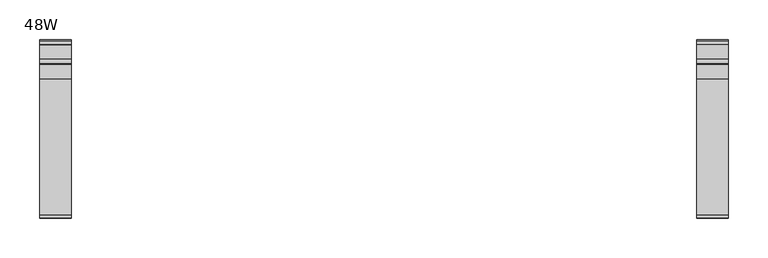
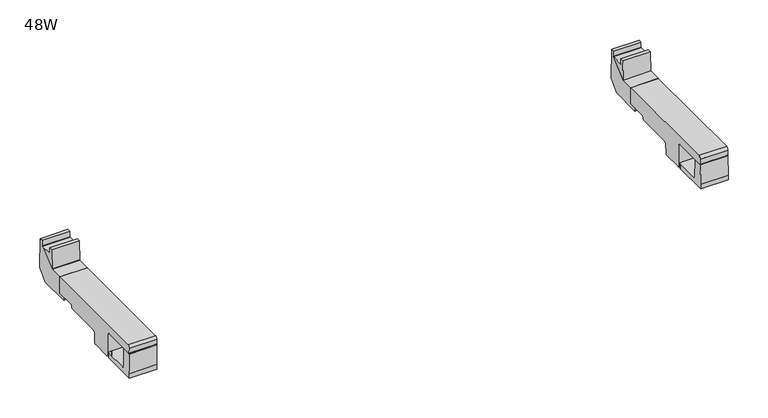
"""IFC4 building model written with IfcOpenShell, lengths in millimetres: furniture geometry, 48W."""

from ifc_helpers import new_model, si_unit, frame, origin, place, context, project, spatial, polyline, circle_curve, ellipse_curve, outline, extrude, faceted_brep, source, transform, mapped, element, save
from ifc_brep_helpers import plane_surface, cylinder_surface, revolved_surface, advanced_brep


def furniture_48w_d46f2840(model_context):
    return source(origin(), model_context, "Body", "SolidModel", [
        advanced_brep(
        [(1042.5843383, -34.3762385, 694.748492), (1042.5843383, -205.6270499, 694.748492), (1042.5843383, -209.1428417, 691.2327031), (1042.5843383, -208.8189173, 683.339309), (1042.5843383, -208.1362423, 682.8612948), (1042.5843383, -157.5847288, 682.8612948), (1042.5843383, -155.1147078, 680.3912738), (1042.5843383, -155.1147078, 648.1993661), (1042.5843383, -153.1244417, 646.2091), (1042.5843383, -124.7937764, 646.2091), (1042.5843383, -123.0534282, 647.9494482), (1042.5843383, -122.5427758, 662.5726192), (1042.5843383, -120.0715116, 665.0438834), (1042.5843383, -67.0503173, 665.0438834), (1042.5843383, -65.9566254, 665.4969107), (1042.5843383, -65.3708418, 666.9110686), (1042.5843383, -65.3708418, 667.9110802), (1042.5843383, -64.7850536, 669.3253107), (1042.5843383, -63.2994578, 669.9406718), (1042.5843383, -34.3762385, 669.9406718), (1002.5843271, -34.3762385, 694.748492), (1002.5843271, -34.3762385, 669.9406718), (1002.5843271, -63.2994578, 669.9406718), (1002.5843271, -64.7850536, 669.3253107), (1002.5843271, -65.3708418, 667.9110802), (1002.5843271, -65.3708418, 666.9110686), (1002.5843271, -65.9566254, 665.4969107), (1002.5843271, -67.0503173, 665.0438834), (1002.5843271, -120.0715116, 665.0438834), (1002.5843271, -122.5427758, 662.5726192), (1002.5843271, -123.0534282, 647.9494482), (1002.5843271, -124.7937764, 646.2091), (1002.5843271, -153.1244417, 646.2091), (1002.5843271, -155.1147078, 648.1993661), (1002.5843271, -155.1147078, 680.3912738), (1002.5843271, -157.5847288, 682.8612948), (1002.5843271, -208.1362423, 682.8612948), (1002.5843271, -208.8189173, 683.339309), (1002.5843271, -209.1428417, 691.2327031), (1002.5843271, -205.6270499, 694.748492), (1007.5797896, -124.7937764, 646.2091), (1007.5797896, -140.0738437, 646.2091), (1037.6515099, -140.0738437, 646.2091), (1037.6515099, -124.7937764, 646.2091), (1037.5752781, -123.0534282, 647.9494482), (1007.6560215, -123.0534282, 647.9494482), (1037.1094335, -122.682043, 658.5845286), (1026.2513665, -122.6654343, 659.0601406), (1018.9799316, -122.6654343, 659.0601406), (1008.121866, -122.682043, 658.5845286), (1036.6099401, -63.2994578, 669.9406718), (1036.6099401, -34.3762385, 669.9406718), (1008.5059231, -34.3762385, 669.9406718), (1008.5059231, -63.2994578, 669.9406718), (1008.4909291, -64.4119278, 669.4798663), (1036.6277347, -64.3762385, 669.4946495), (1036.3138826, -34.3762385, 679.0393242), (1033.8796033, -34.3762385, 681.4736035), (1011.2362611, -34.3762385, 681.4736035), (1008.8019819, -34.3762385, 679.0393242), (1033.8796033, -64.3762385, 681.4736035), (1036.3138826, -64.3762385, 679.0393242), (1008.8019819, -64.3762385, 679.0393242), (1011.2362611, -64.3762385, 681.4736035), (1018.9799316, -140.0738437, 659.0601406), (1026.2513665, -140.0738437, 659.0601406), (1037.1094335, -140.0738437, 658.5845286), (1008.121866, -140.0738437, 658.5845286)],
        [
            (0, 1),
            (1, 2, circle_curve(frame((1042.5843383, -205.6270499, 691.2327002), z_axis=(1.0, 0.0, 0.0), x_axis=(0.0, 1.0, 0.0)), 3.5157917)),
            (2, 3),
            (3, 4, circle_curve(frame((1042.5843383, -208.2951756, 683.360802), z_axis=(1.0, 0.0, 0.0), x_axis=(0.0, 1.0, 0.0)), 0.5241824)),
            (4, 5),
            (5, 6),
            (6, 7),
            (7, 8, circle_curve(frame((1042.5843383, -153.1244417, 648.1993661), z_axis=(1.0, 0.0, 0.0), x_axis=(0.0, 1.0, 0.0)), 1.9902661)),
            (8, 9),
            (9, 10, circle_curve(frame((1042.5843383, -124.7937764, 647.9494482), z_axis=(1.0, 0.0, 0.0), x_axis=(0.0, 1.0, 0.0)), 1.7403482)),
            (10, 11),
            (11, 12),
            (12, 13),
            (13, 14),
            (14, 15),
            (15, 16),
            (16, 17),
            (17, 18),
            (18, 19),
            (19, 0),
            (20, 21),
            (21, 22),
            (22, 23),
            (23, 24),
            (24, 25),
            (25, 26),
            (26, 27),
            (27, 28),
            (28, 29),
            (29, 30),
            (30, 31, circle_curve(frame((1002.5843271, -124.7937764, 647.9494482), z_axis=(-1.0, 0.0, 0.0), x_axis=(0.0, 1.0, 0.0)), 1.7403482)),
            (31, 32),
            (32, 33, circle_curve(frame((1002.5843271, -153.1244417, 648.1993661), z_axis=(-1.0, 0.0, 0.0), x_axis=(0.0, 1.0, 0.0)), 1.9902661)),
            (33, 34),
            (34, 35),
            (35, 36),
            (36, 37, circle_curve(frame((1002.5843271, -208.2951756, 683.360802), z_axis=(-1.0, 0.0, 0.0), x_axis=(0.0, 1.0, 0.0)), 0.5241824)),
            (37, 38),
            (38, 39, circle_curve(frame((1002.5843271, -205.6270499, 691.2327002), z_axis=(-1.0, 0.0, 0.0), x_axis=(0.0, 1.0, 0.0)), 3.5157917)),
            (39, 20),
            (0, 20),
            (39, 1),
            (38, 2),
            (37, 3),
            (4, 36),
            (35, 5),
            (34, 6),
            (33, 7),
            (32, 8),
            (31, 40),
            (40, 41),
            (41, 42),
            (42, 43),
            (43, 9),
            (43, 44, ellipse_curve(frame((1037.5752781, -124.7937764, 647.9494482), z_axis=(0.9990420426528556, 0.0, 0.0437606788339703), x_axis=(0.04376067883397078, 0.0, -0.9990420426528556)), 1.742017, 1.7403482)),
            (44, 10),
            (30, 45),
            (45, 40, ellipse_curve(frame((1007.6560215, -124.7937764, 647.9494482), z_axis=(-0.9990420429311404, 0.0, 0.04376067248081727), x_axis=(0.04376067248081772, 0.0, 0.9990420429311404)), 1.742017, 1.7403482)),
            (44, 46),
            (46, 47),
            (47, 48),
            (48, 49),
            (49, 45),
            (29, 11),
            (28, 12),
            (27, 13),
            (18, 50),
            (50, 51),
            (51, 19),
            (21, 52),
            (52, 53),
            (53, 22),
            (26, 14),
            (25, 15),
            (24, 16),
            (23, 17),
            (53, 54),
            (54, 55),
            (55, 50),
            (51, 56),
            (56, 57, circle_curve(frame((1033.8796033, -34.3762385, 679.0393242), z_axis=(0.0, -1.0, 0.0), x_axis=(1.0, 0.0, 0.0)), 2.4342793)),
            (57, 58),
            (58, 59, circle_curve(frame((1011.2362611, -34.3762385, 679.0393242), z_axis=(0.0, -1.0, 0.0), x_axis=(1.0, 0.0, 0.0)), 2.4342793)),
            (59, 52),
            (60, 61, circle_curve(frame((1033.8796033, -64.3762385, 679.0393242), z_axis=(0.0, 1.0, 0.0), x_axis=(1.0, 0.0, 0.0)), 2.4342793)),
            (61, 55),
            (54, 62),
            (62, 63, circle_curve(frame((1011.2362611, -64.3762385, 679.0393242), z_axis=(0.0, 1.0, 0.0), x_axis=(1.0, 0.0, 0.0)), 2.4342793)),
            (63, 60),
            (63, 58),
            (57, 60),
            (62, 59),
            (61, 56),
            (64, 65),
            (65, 66),
            (66, 42),
            (41, 67),
            (67, 64),
            (67, 49),
            (48, 64),
            (66, 46),
            (65, 47),
        ],
        [
            plane_surface(frame((1042.5843383, -205.6270499, 694.748492), z_axis=(1.0, 0.0, 0.0), x_axis=(0.0, -1.0, 0.0))),
            plane_surface(frame((1002.5843271, -205.6270499, 694.748492), z_axis=(-1.0, 0.0, 0.0), x_axis=(0.0, 1.0, 0.0))),
            plane_surface(frame((1042.5843383, -34.3762385, 694.748492), z_axis=(0.0, 0.0, 1.0), x_axis=(-1.0, 0.0, 0.0))),
            cylinder_surface(frame((1002.5843271, -205.6270499, 691.2327002), z_axis=(1.0, 0.0, 0.0), x_axis=(0.0, 1.0, 0.0)), 3.5157917),
            plane_surface(frame((1042.5843383, -209.1428417, 691.2327031), z_axis=(0.0, -0.9991590276048403, -0.04100289691899755), x_axis=(-1.0, 0.0, 0.0))),
            plane_surface(frame((1042.5843383, -208.1362423, 682.8612948), z_axis=(0.0, 0.0, -1.0), x_axis=(-1.0, 0.0, 0.0))),
            plane_surface(frame((1042.5843383, -157.5847288, 682.8612948), z_axis=(0.0, -0.7071067811865669, -0.7071067811865281), x_axis=(-1.0, 0.0, 0.0))),
            plane_surface(frame((1042.5843383, -155.1147078, 680.3912738), z_axis=(0.0, -1.0, 0.0), x_axis=(-1.0, 0.0, 0.0))),
            cylinder_surface(frame((1002.5843271, -153.1244417, 648.1993661), z_axis=(1.0, 0.0, 0.0), x_axis=(0.0, 1.0, 0.0)), 1.9902661),
            plane_surface(frame((1042.5843383, -153.1244417, 646.2091), z_axis=(0.0, 0.0, -1.0), x_axis=(-1.0, 0.0, 0.0))),
            cylinder_surface(frame((1002.5843271, -124.7937764, 647.9494482), z_axis=(1.0, 0.0, 0.0), x_axis=(0.0, 1.0, 0.0)), 1.7403482),
            plane_surface(frame((1042.5843383, -123.0534282, 647.9494482), z_axis=(0.0, 0.9993908270182066, -0.03489949672796346), x_axis=(-1.0, 0.0, 0.0))),
            plane_surface(frame((1042.5843383, -122.5427758, 662.5726192), z_axis=(0.0, 0.7071067811865888, -0.7071067811865064), x_axis=(-1.0, 0.0, 0.0))),
            plane_surface(frame((1042.5843383, -120.0715116, 665.0438834), z_axis=(0.0, 0.0, -1.0), x_axis=(-1.0, 0.0, 0.0))),
            plane_surface(frame((1042.5843383, -63.2994578, 669.9406718), z_axis=(0.0, 0.0, -1.0), x_axis=(-1.0, 0.0, 0.0))),
            cylinder_surface(frame((1002.5843271, -208.2951756, 683.360802), z_axis=(1.0, 0.0, 0.0), x_axis=(0.0, 1.0, 0.0)), 0.5241824),
            plane_surface(frame((1042.5843383, -67.0503173, 665.0438834), z_axis=(0.0, 0.3826872177215554, -0.9238779645562151), x_axis=(-1.0, 0.0, 0.0))),
            plane_surface(frame((1042.5843383, -65.9566254, 665.4969107), z_axis=(0.0, 0.9238748481049176, -0.3826947413267075), x_axis=(-1.0, 0.0, 0.0))),
            plane_surface(frame((1042.5843383, -65.3708418, 666.9110686), z_axis=(0.0, 1.0, 0.0), x_axis=(-1.0, 0.0, 0.0))),
            plane_surface(frame((1042.5843383, -65.3708418, 667.9110802), z_axis=(0.0, 0.9238807518005431, -0.38268048872716703), x_axis=(-1.0, 0.0, 0.0))),
            plane_surface(frame((1042.5843383, -64.7850536, 669.3253107), z_axis=(0.0, 0.382687217616281, -0.9238779645998216), x_axis=(-1.0, 0.0, 0.0))),
            plane_surface(frame((1042.5843383, -34.3762385, 669.9406718), z_axis=(0.0, 1.0, 0.0), x_axis=(-1.0, 0.0, 0.0))),
            plane_surface(frame((1011.2362611, -64.3762385, 681.4736035), z_axis=(0.0, 1.0, 0.0), x_axis=(-1.0, 0.0, 0.0))),
            plane_surface(frame((1033.8796033, -64.3762385, 681.4736035), z_axis=(0.0, 0.0, -1.0), x_axis=(0.0, 1.0, 0.0))),
            revolved_surface(polyline([(1013.6705403999999, -64.3762385, 679.0393242), (1013.6705403999999, -34.3762385, 679.0393242)]), (1011.2362611, -34.3762385, 679.0393242), (0.0, -1.0, 0.0)),
            plane_surface(frame((1008.8019819, -64.3762385, 679.0393242), z_axis=(0.9994710350913933, 0.0, -0.03252153153433829), x_axis=(0.0, 1.0, 0.0))),
            plane_surface(frame((1036.6277347, -64.3762385, 669.3937968), z_axis=(-0.9994710393903322, 0.0, -0.0325213994165262), x_axis=(0.0, 1.0, 0.0))),
            revolved_surface(polyline([(1036.3138826000002, -64.3762385, 679.0393242), (1036.3138826000002, -34.3762385, 679.0393242)]), (1033.8796033, -34.3762385, 679.0393242), (0.0, -1.0, 0.0)),
            plane_surface(frame((178.8821527, -140.0738437, 658.5845286), z_axis=(0.0, 1.0000000000000002, 0.0), x_axis=(-0.9990420426677844, 0.0, -0.04376067849315215))),
            plane_surface(frame((1018.9799316, -140.0738437, 659.0601406), z_axis=(0.04376067847361147, 0.0, -0.9990420426686404), x_axis=(0.0, 1.0, 0.0))),
            plane_surface(frame((1008.121866, -140.0738437, 658.5845286), z_axis=(0.9990420429311404, 0.0, -0.04376067248081727), x_axis=(0.0, 1.0, 0.0))),
            plane_surface(frame((1037.7317659, -140.0738437, 644.376883), z_axis=(-0.9990420426528556, 0.0, -0.0437606788339703), x_axis=(0.0, 1.0, 0.0))),
            plane_surface(frame((1037.1094335, -140.0738437, 658.5845286), z_axis=(-0.043760672840806536, 0.0, -0.999042042915372), x_axis=(0.0, 1.0, 0.0))),
            plane_surface(frame((1026.2513665, -140.0738437, 659.0601406), z_axis=(0.0, 0.0, -1.0), x_axis=(0.0, 1.0, 0.0))),
        ],
        [
            (0, [[1, 2, 3, 4, 5, 6, 7, 8, 9, 10, 11, 12, 13, 14, 15, 16, 17, 18, 19, 20]]),
            (1, [[21, 22, 23, 24, 25, 26, 27, 28, 29, 30, 31, 32, 33, 34, 35, 36, 37, 38, 39, 40]]),
            (2, [[-1, 41, -40, 42]]),
            (3, [[-2, -42, -39, 43]]),
            (4, [[-3, -43, -38, 44]]),
            (5, [[-5, 45, -36, 46]]),
            (6, [[-6, -46, -35, 47]]),
            (7, [[-7, -47, -34, 48]]),
            (8, [[-8, -48, -33, 49]]),
            (9, [[-9, -49, -32, 50, 51, 52, 53, 54]]),
            (10, [[-10, -54, 55, 56]]),
            (10, [[-31, 57, 58, -50]]),
            (11, [[-11, -56, 59, 60, 61, 62, 63, -57, -30, 64]]),
            (12, [[-12, -64, -29, 65]]),
            (13, [[-13, -65, -28, 66]]),
            (14, [[-19, 67, 68, 69]]),
            (14, [[-22, 70, 71, 72]]),
            (15, [[-4, -44, -37, -45]]),
            (16, [[-14, -66, -27, 73]]),
            (17, [[-15, -73, -26, 74]]),
            (18, [[-16, -74, -25, 75]]),
            (19, [[-17, -75, -24, 76]]),
            (20, [[-18, -76, -23, -72, 77, 78, 79, -67]]),
            (21, [[-20, -69, 80, 81, 82, 83, 84, -70, -21, -41]]),
            (22, [[85, 86, -78, 87, 88, 89]]),
            (23, [[-89, 90, -82, 91]]),
            (24, [[-88, 92, -83, -90]]),
            (25, [[-87, -77, -71, -84, -92]]),
            (26, [[-86, 93, -80, -68, -79]]),
            (27, [[-85, -91, -81, -93]]),
            (28, [[94, 95, 96, -52, 97, 98]]),
            (29, [[-98, 99, -62, 100]]),
            (30, [[-97, -51, -58, -63, -99]]),
            (31, [[-96, 101, -59, -55, -53]]),
            (32, [[-95, 102, -60, -101]]),
            (33, [[-94, -100, -61, -102]]),
        ],
    ),
        advanced_brep(
        [(204.718015, -64.3762385, 682.0986035), (207.1522943, -64.3762385, 679.6643242), (207.4661464, -64.3762385, 670.0187968), (179.3265402, -64.3762385, 670.0187968), (179.6403935, -64.3762385, 679.6643242), (182.0746728, -64.3762385, 682.0986035), (182.0746728, -34.3762385, 682.0986035), (204.718015, -34.3762385, 682.0986035), (179.6403935, -34.3762385, 679.6643242), (179.3265402, -63.1108495, 670.0187968), (179.3265402, -34.3762385, 670.0187968), (207.4661464, -63.1108495, 670.0187968), (207.1522943, -34.3762385, 679.6643242), (207.4661464, -34.3762385, 670.0187968), (213.3963495, -34.3762385, 694.748492), (213.3963495, -205.6270499, 694.748492), (213.3963495, -209.1428417, 691.2327031), (213.3963495, -208.8189173, 683.339309), (213.3963495, -208.1362423, 682.8612948), (213.3963495, -157.5847288, 682.8612948), (213.3963495, -155.1147078, 680.3912738), (213.3963495, -155.1147078, 648.1993661), (213.3963495, -153.1244417, 646.2091), (213.3963495, -124.7937764, 646.2091), (213.3963495, -123.0534282, 647.9494482), (213.3963495, -122.5427758, 662.5726192), (213.3963495, -120.0715116, 665.0438834), (213.3963495, -67.0503173, 665.0438834), (213.3963495, -65.9566254, 665.4969107), (213.3963495, -65.3708418, 666.9110686), (213.3963495, -65.3708418, 667.9110802), (213.3963495, -64.7850536, 669.3253107), (213.3963495, -63.1108495, 670.0187968), (213.3963495, -34.3762385, 670.0187968), (173.3963383, -34.3762385, 694.748492), (173.3963383, -34.3762385, 670.0187968), (173.3963383, -63.1108495, 670.0187968), (173.3963383, -64.7850536, 669.3253107), (173.3963383, -65.3708418, 667.9110802), (173.3963383, -65.3708418, 666.9110686), (173.3963383, -65.9566254, 665.4969107), (173.3963383, -67.0503173, 665.0438834), (173.3963383, -120.0715116, 665.0438834), (173.3963383, -122.5427758, 662.5726192), (173.3963383, -123.0534282, 647.9494482), (173.3963383, -124.7937764, 646.2091), (173.3963383, -153.1244417, 646.2091), (173.3963383, -155.1147078, 648.1993661), (173.3963383, -155.1147078, 680.3912738), (173.3963383, -157.5847288, 682.8612948), (173.3963383, -208.1362423, 682.8612948), (173.3963383, -208.8189173, 683.339309), (173.3963383, -209.1428417, 691.2327031), (173.3963383, -205.6270499, 694.748492), (178.3400763, -124.7937764, 646.2091), (178.3400763, -140.0738437, 646.2091), (208.4117966, -140.0738437, 646.2091), (208.4117966, -124.7937764, 646.2091), (208.3355648, -123.0534282, 647.9494482), (178.4163082, -123.0534282, 647.9494482), (207.8697202, -122.682043, 658.5845286), (197.0116532, -122.6654343, 659.0601406), (189.7402183, -122.6654343, 659.0601406), (178.8821527, -122.682043, 658.5845286), (189.7402183, -140.0738437, 659.0601406), (197.0116532, -140.0738437, 659.0601406), (207.8697202, -140.0738437, 658.5845286), (178.8821527, -140.0738437, 658.5845286)],
        [
            (0, 1, circle_curve(frame((204.718015, -64.3762385, 679.6643242), z_axis=(0.0, 1.0, 0.0), x_axis=(1.0, 0.0, 0.0)), 2.4342793)),
            (1, 2),
            (2, 3),
            (3, 4),
            (4, 5, circle_curve(frame((182.0746728, -64.3762385, 679.6643242), z_axis=(0.0, 1.0, 0.0), x_axis=(1.0, 0.0, 0.0)), 2.4342793)),
            (5, 0),
            (5, 6),
            (6, 7),
            (7, 0),
            (4, 8),
            (8, 6, circle_curve(frame((182.0746728, -34.3762385, 679.6643242), z_axis=(0.0, 1.0, 0.0), x_axis=(1.0, 0.0, 0.0)), 2.4342793)),
            (3, 9),
            (9, 10),
            (10, 8),
            (2, 11),
            (11, 9),
            (1, 12),
            (12, 13),
            (13, 11),
            (7, 12, circle_curve(frame((204.718015, -34.3762385, 679.6643242), z_axis=(0.0, 1.0, 0.0), x_axis=(1.0, 0.0, 0.0)), 2.4342793)),
            (14, 15),
            (15, 16, circle_curve(frame((213.3963495, -205.6270499, 691.2327002), z_axis=(1.0, 0.0, 0.0), x_axis=(0.0, 1.0, 0.0)), 3.5157917)),
            (16, 17),
            (17, 18, circle_curve(frame((213.3963495, -208.2951756, 683.360802), z_axis=(1.0, 0.0, 0.0), x_axis=(0.0, 1.0, 0.0)), 0.5241824)),
            (18, 19),
            (19, 20),
            (20, 21),
            (21, 22, circle_curve(frame((213.3963495, -153.1244417, 648.1993661), z_axis=(1.0, 0.0, 0.0), x_axis=(0.0, 1.0, 0.0)), 1.9902661)),
            (22, 23),
            (23, 24, circle_curve(frame((213.3963495, -124.7937764, 647.9494482), z_axis=(1.0, 0.0, 0.0), x_axis=(0.0, 1.0, 0.0)), 1.7403482)),
            (24, 25),
            (25, 26),
            (26, 27),
            (27, 28),
            (28, 29),
            (29, 30),
            (30, 31),
            (31, 32),
            (32, 33),
            (33, 14),
            (34, 35),
            (35, 36),
            (36, 37),
            (37, 38),
            (38, 39),
            (39, 40),
            (40, 41),
            (41, 42),
            (42, 43),
            (43, 44),
            (44, 45, circle_curve(frame((173.3963383, -124.7937764, 647.9494482), z_axis=(-1.0, 0.0, 0.0), x_axis=(0.0, 1.0, 0.0)), 1.7403482)),
            (45, 46),
            (46, 47, circle_curve(frame((173.3963383, -153.1244417, 648.1993661), z_axis=(-1.0, 0.0, 0.0), x_axis=(0.0, 1.0, 0.0)), 1.9902661)),
            (47, 48),
            (48, 49),
            (49, 50),
            (50, 51, circle_curve(frame((173.3963383, -208.2951756, 683.360802), z_axis=(-1.0, 0.0, 0.0), x_axis=(0.0, 1.0, 0.0)), 0.5241824)),
            (51, 52),
            (52, 53, circle_curve(frame((173.3963383, -205.6270499, 691.2327002), z_axis=(-1.0, 0.0, 0.0), x_axis=(0.0, 1.0, 0.0)), 3.5157917)),
            (53, 34),
            (14, 34),
            (53, 15),
            (52, 16),
            (51, 17),
            (18, 50),
            (49, 19),
            (48, 20),
            (47, 21),
            (46, 22),
            (45, 54),
            (54, 55),
            (55, 56),
            (56, 57),
            (57, 23),
            (57, 58, ellipse_curve(frame((208.3355648, -124.7937764, 647.9494482), z_axis=(0.9990420426677843, 0.0, 0.04376067849315382), x_axis=(0.04376067849315236, 0.0, -0.9990420426677845)), 1.742017, 1.7403482)),
            (58, 24),
            (44, 59),
            (59, 54, ellipse_curve(frame((178.4163082, -124.7937764, 647.9494482), z_axis=(-0.9990420429162121, 0.0, 0.043760672821627045), x_axis=(0.043760672821625185, 0.0, 0.999042042916212)), 1.742017, 1.7403482)),
            (58, 60),
            (60, 61),
            (61, 62),
            (62, 63),
            (63, 59),
            (43, 25),
            (42, 26),
            (41, 27),
            (32, 11),
            (13, 33),
            (35, 10),
            (9, 36),
            (40, 28),
            (39, 29),
            (38, 30),
            (37, 31),
            (64, 65),
            (65, 66),
            (66, 56),
            (55, 67),
            (67, 64),
            (67, 63),
            (62, 64),
            (66, 60),
            (65, 61),
        ],
        [
            plane_surface(frame((182.0746728, -64.3762385, 682.0986035), z_axis=(0.0, 1.0, 0.0), x_axis=(-1.0, 0.0, 0.0))),
            plane_surface(frame((204.718015, -64.3762385, 682.0986035), z_axis=(0.0, 0.0, -1.0), x_axis=(0.0, 1.0, 0.0))),
            revolved_surface(polyline([(184.5089521, -64.3762385, 679.6643242), (184.5089521, -34.3762385, 679.6643242)]), (182.0746728, -34.3762385, 679.6643242), (0.0, -1.0, 0.0)),
            plane_surface(frame((179.6403935, -64.3762385, 679.6643242), z_axis=(0.9994710350913933, 0.0, -0.03252153153433829), x_axis=(0.0, 1.0, 0.0))),
            plane_surface(frame((179.3265402, -64.3762385, 670.0187968), z_axis=(0.0, 0.0, 1.0), x_axis=(0.0, 1.0, 0.0))),
            plane_surface(frame((207.4661464, -64.3762385, 670.0187968), z_axis=(-0.999471039390332, 0.0, -0.03252139941653), x_axis=(0.0, 1.0, 0.0))),
            revolved_surface(polyline([(207.1522943, -64.3762385, 679.6643242), (207.1522943, -34.3762385, 679.6643242)]), (204.718015, -34.3762385, 679.6643242), (0.0, -1.0, 0.0)),
            plane_surface(frame((213.3963495, -205.6270499, 694.748492), z_axis=(1.0, 0.0, 0.0), x_axis=(0.0, -1.0, 0.0))),
            plane_surface(frame((173.3963383, -205.6270499, 694.748492), z_axis=(-1.0, 0.0, 0.0), x_axis=(0.0, 1.0, 0.0))),
            plane_surface(frame((213.3963495, -34.3762385, 694.748492), z_axis=(0.0, 0.0, 1.0), x_axis=(-1.0, 0.0, 0.0))),
            cylinder_surface(frame((173.3963383, -205.6270499, 691.2327002), z_axis=(1.0, 0.0, 0.0), x_axis=(0.0, 1.0, 0.0)), 3.5157917),
            plane_surface(frame((213.3963495, -209.1428417, 691.2327031), z_axis=(0.0, -0.9991590276048403, -0.041002896918997445), x_axis=(-1.0, 0.0, 0.0))),
            plane_surface(frame((213.3963495, -208.1362423, 682.8612948), z_axis=(0.0, 0.0, -1.0), x_axis=(-1.0, 0.0, 0.0))),
            plane_surface(frame((213.3963495, -157.5847288, 682.8612948), z_axis=(0.0, -0.7071067811865669, -0.7071067811865281), x_axis=(-1.0, 0.0, 0.0))),
            plane_surface(frame((213.3963495, -155.1147078, 680.3912738), z_axis=(0.0, -1.0, 0.0), x_axis=(-1.0, 0.0, 0.0))),
            cylinder_surface(frame((173.3963383, -153.1244417, 648.1993661), z_axis=(1.0, 0.0, 0.0), x_axis=(0.0, 1.0, 0.0)), 1.9902661),
            plane_surface(frame((213.3963495, -153.1244417, 646.2091), z_axis=(0.0, 0.0, -1.0), x_axis=(-1.0, 0.0, 0.0))),
            cylinder_surface(frame((173.3963383, -124.7937764, 647.9494482), z_axis=(1.0, 0.0, 0.0), x_axis=(0.0, 1.0, 0.0)), 1.7403482),
            plane_surface(frame((213.3963495, -123.0534282, 647.9494482), z_axis=(0.0, 0.9993908270182066, -0.03489949672796346), x_axis=(-1.0, 0.0, 0.0))),
            plane_surface(frame((213.3963495, -122.5427758, 662.5726192), z_axis=(0.0, 0.7071067811865888, -0.7071067811865064), x_axis=(-1.0, 0.0, 0.0))),
            plane_surface(frame((213.3963495, -120.0715116, 665.0438834), z_axis=(0.0, 0.0, -1.0), x_axis=(-1.0, 0.0, 0.0))),
            plane_surface(frame((213.3963495, -63.1108495, 670.0187968), z_axis=(0.0, 0.0, -1.0), x_axis=(-1.0, 0.0, 0.0))),
            cylinder_surface(frame((173.3963383, -208.2951756, 683.360802), z_axis=(1.0, 0.0, 0.0), x_axis=(0.0, 1.0, 0.0)), 0.5241824),
            plane_surface(frame((213.3963495, -67.0503173, 665.0438834), z_axis=(0.0, 0.3826872177215554, -0.9238779645562151), x_axis=(-1.0, 0.0, 0.0))),
            plane_surface(frame((213.3963495, -65.9566254, 665.4969107), z_axis=(0.0, 0.9238748481049176, -0.3826947413267075), x_axis=(-1.0, 0.0, 0.0))),
            plane_surface(frame((213.3963495, -65.3708418, 666.9110686), z_axis=(0.0, 1.0, 0.0), x_axis=(-1.0, 0.0, 0.0))),
            plane_surface(frame((213.3963495, -65.3708418, 667.9110802), z_axis=(0.0, 0.9238807518005431, -0.38268048872716703), x_axis=(-1.0, 0.0, 0.0))),
            plane_surface(frame((213.3963495, -64.7850536, 669.3253107), z_axis=(0.0, 0.38268721761631463, -0.9238779645998076), x_axis=(-1.0, 0.0, 0.0))),
            plane_surface(frame((213.3963495, -34.3762385, 670.0187968), z_axis=(0.0, 1.0, 0.0), x_axis=(-1.0, 0.0, 0.0))),
            plane_surface(frame((178.8821527, -140.0738437, 658.5845286), z_axis=(0.0, 1.0000000000000002, 0.0), x_axis=(-0.9990420426677844, 0.0, -0.04376067849315215))),
            plane_surface(frame((189.7402183, -140.0738437, 659.0601406), z_axis=(0.04376067849315215, 0.0, -0.9990420426677844), x_axis=(0.0, 1.0, 0.0))),
            plane_surface(frame((178.8821527, -140.0738437, 658.5845286), z_axis=(0.9990420429162121, 0.0, -0.043760672821627045), x_axis=(0.0, 1.0, 0.0))),
            plane_surface(frame((208.4920526, -140.0738437, 644.376883), z_axis=(-0.9990420426677843, 0.0, -0.04376067849315382), x_axis=(0.0, 1.0, 0.0))),
            plane_surface(frame((207.8697202, -140.0738437, 658.5845286), z_axis=(-0.043760672821278684, 0.0, -0.9990420429162273), x_axis=(0.0, 1.0, 0.0))),
            plane_surface(frame((197.0116532, -140.0738437, 659.0601406), z_axis=(0.0, 0.0, -1.0), x_axis=(0.0, 1.0, 0.0))),
        ],
        [
            (0, [[1, 2, 3, 4, 5, 6]]),
            (1, [[-6, 7, 8, 9]]),
            (2, [[-5, 10, 11, -7]]),
            (3, [[-4, 12, 13, 14, -10]]),
            (4, [[-3, 15, 16, -12]]),
            (5, [[-2, 17, 18, 19, -15]]),
            (6, [[-1, -9, 20, -17]]),
            (7, [[21, 22, 23, 24, 25, 26, 27, 28, 29, 30, 31, 32, 33, 34, 35, 36, 37, 38, 39, 40]]),
            (8, [[41, 42, 43, 44, 45, 46, 47, 48, 49, 50, 51, 52, 53, 54, 55, 56, 57, 58, 59, 60]]),
            (9, [[-21, 61, -60, 62]]),
            (10, [[-22, -62, -59, 63]]),
            (11, [[-23, -63, -58, 64]]),
            (12, [[-25, 65, -56, 66]]),
            (13, [[-26, -66, -55, 67]]),
            (14, [[-27, -67, -54, 68]]),
            (15, [[-28, -68, -53, 69]]),
            (16, [[-29, -69, -52, 70, 71, 72, 73, 74]]),
            (17, [[-30, -74, 75, 76]]),
            (17, [[-51, 77, 78, -70]]),
            (18, [[-31, -76, 79, 80, 81, 82, 83, -77, -50, 84]]),
            (19, [[-32, -84, -49, 85]]),
            (20, [[-33, -85, -48, 86]]),
            (21, [[-39, 87, -19, 88]]),
            (21, [[-42, 89, -13, 90]]),
            (22, [[-24, -64, -57, -65]]),
            (23, [[-34, -86, -47, 91]]),
            (24, [[-35, -91, -46, 92]]),
            (25, [[-36, -92, -45, 93]]),
            (26, [[-37, -93, -44, 94]]),
            (27, [[-38, -94, -43, -90, -16, -87]]),
            (28, [[-40, -88, -18, -20, -8, -11, -14, -89, -41, -61]]),
            (29, [[95, 96, 97, -72, 98, 99]]),
            (30, [[-99, 100, -82, 101]]),
            (31, [[-98, -71, -78, -83, -100]]),
            (32, [[-97, 102, -79, -75, -73]]),
            (33, [[-96, 103, -80, -102]]),
            (34, [[-95, -101, -81, -103]]),
        ],
    ),
        faceted_brep([(213.3963495, 1.4987638, 665.2243243), (213.3963495, 15.4987633, 679.2242692), (213.3963495, 14.2414636, 724.2242841), (213.3963495, 9.4996035, 724.2242841), (213.3963495, 9.4996035, 716.2017992), (213.3963495, -15.5003961, 695.2243087), (213.3963495, -34.3762385, 695.2243087), (213.3963495, -34.3762385, 670.2243098), (213.3963495, -44.3762385, 670.2243098), (213.3963495, -44.3762385, 665.2243243), (173.3963383, 1.4987638, 665.2243243), (173.3963383, -44.3762385, 665.2243243), (173.3963383, -44.3762385, 670.2243098), (173.3963383, -34.3762385, 670.2243098), (173.3963383, -34.3762385, 695.2243087), (173.3963383, -15.5003961, 695.2243087), (173.3963383, 9.4996035, 716.2017992), (173.3963383, 9.4996035, 724.2242841), (173.3963383, 14.2414636, 724.2242841), (173.3963383, 15.4987633, 679.2242692), (179.3332273, -34.3762385, 670.2243098), (179.3265402, -34.3762385, 670.0187968), (207.4661464, -34.3762385, 670.0187968), (207.4594593, -34.3762385, 670.2243098), (207.4594593, -44.3762385, 670.2243098), (179.3332273, -44.3762385, 670.2243098), (207.4661464, -44.3762385, 670.0187968), (179.3265402, -44.3762385, 670.0187968)], [[[0, 1, 2, 3, 4, 5, 6, 7, 8, 9]], [[10, 11, 12, 13, 14, 15, 16, 17, 18, 19]], [[1, 0, 10, 19]], [[2, 1, 19, 18]], [[3, 2, 18, 17]], [[7, 6, 14, 13, 20, 21, 22, 23]], [[8, 7, 23, 24]], [[13, 12, 25, 20]], [[9, 8, 24, 26, 27, 25, 12, 11]], [[0, 9, 11, 10]], [[4, 3, 17, 16]], [[5, 4, 16, 15]], [[6, 5, 15, 14]], [[21, 20, 25, 27]], [[22, 21, 27, 26]], [[23, 22, 26, 24]]]),
        advanced_brep(
        [(1008.7244831, -141.7010771, 652.8966), (1008.7244831, -141.7010771, 645.8966), (1008.255545, -143.4503243, 645.8966), (1008.255545, -143.4503243, 652.8966), (1010.0049653, -140.4205949, 652.8966), (1010.0049653, -140.4205949, 645.8966), (1011.7542125, -139.9516569, 652.8966), (1011.2984275, -140.0738437, 645.8966), (1003.0232514, -156.9508595, 652.8966), (1003.0232514, -156.9508595, 645.8966), (1002.5843271, -158.5897425, 645.8966), (1002.5843271, -158.5897425, 652.8966), (1003.7547476, -156.2193633, 652.8966), (1003.7547476, -156.2193633, 645.8966), (1004.7543266, -155.9516568, 652.8966), (1004.7543266, -155.9516568, 645.8966), (1007.7557734, -155.9516568, 652.8966), (1007.7557734, -155.9516568, 645.8966), (1008.255545, -155.0828126, 652.8966), (1008.255545, -155.0828126, 645.8966), (1037.0482352, -155.0828126, 652.8966), (1037.0482352, -155.0828126, 645.8966), (1037.0482352, -143.4503243, 645.8966), (1037.0482352, -143.4503243, 652.8966), (1037.5480068, -155.9516568, 652.8966), (1037.5480068, -155.9516568, 645.8966), (1040.5494536, -155.9516568, 652.8966), (1040.5494536, -155.9516568, 645.8966), (1041.5490326, -156.2193631, 652.8966), (1041.5490326, -156.2193631, 645.8966), (1042.2805286, -156.9508595, 652.8966), (1042.2805286, -156.9508595, 645.8966), (1042.5843383, -158.0852431, 652.8966), (1042.5843383, -158.0852431, 645.8966), (1035.298815, -140.4205949, 652.8966), (1035.298815, -140.4205949, 645.8966), (1034.0053528, -140.0738437, 645.8966), (1033.5495679, -139.9516569, 652.8966), (1036.5792972, -141.7010771, 652.8966), (1036.5792972, -141.7010771, 645.8966), (1042.5843383, -192.6231607, 652.8966), (1042.5843383, -195.035912, 655.3093513), (1042.5843383, -195.9812599, 682.3805731), (1042.5843383, -208.9220534, 682.3805731), (1042.5843383, -209.9516568, 652.8966), (1042.5843383, -209.8294706, 645.8966), (1002.5843271, -209.8294706, 645.8966), (1002.5843271, -209.9516568, 652.8966), (1002.5843271, -208.9220534, 682.3805731), (1002.5843271, -195.9812599, 682.3805731), (1002.5843271, -195.035912, 655.3093513), (1002.5843271, -192.6231607, 652.8966)],
        [
            (0, 1),
            (1, 2),
            (2, 3),
            (3, 0),
            (0, 4),
            (4, 5),
            (5, 1),
            (4, 6),
            (6, 7),
            (7, 5),
            (8, 9),
            (9, 10),
            (10, 11),
            (11, 8),
            (8, 12),
            (12, 13),
            (13, 9),
            (12, 14),
            (14, 15),
            (15, 13),
            (14, 16),
            (16, 17),
            (17, 15),
            (16, 18, circle_curve(frame((1007.250424, -155.0828126, 652.8966), z_axis=(0.0, 0.0, 1.0), x_axis=(1.0, 0.0, 0.0)), 1.005121)),
            (18, 19),
            (19, 17, circle_curve(frame((1007.250424, -155.0828126, 645.8966), z_axis=(0.0, 0.0, -1.0), x_axis=(1.0, 0.0, 0.0)), 1.005121)),
            (2, 19),
            (18, 3),
            (20, 21),
            (21, 22),
            (22, 23),
            (23, 20),
            (20, 24, circle_curve(frame((1038.0533564, -155.0828126, 652.8966), z_axis=(0.0, 0.0, 1.0), x_axis=(1.0, 0.0, 0.0)), 1.0051211)),
            (24, 25),
            (25, 21, circle_curve(frame((1038.0533564, -155.0828126, 645.8966), z_axis=(0.0, 0.0, -1.0), x_axis=(1.0, 0.0, 0.0)), 1.0051211)),
            (24, 26),
            (26, 27),
            (27, 25),
            (26, 28),
            (28, 29),
            (29, 27),
            (28, 30),
            (30, 31),
            (31, 29),
            (30, 32),
            (32, 33),
            (33, 31),
            (34, 35),
            (35, 36),
            (36, 37),
            (37, 34),
            (34, 38),
            (38, 39),
            (39, 35),
            (22, 39),
            (38, 23),
            (40, 41, circle_curve(frame((1042.5843383, -192.6231607, 655.3093513), z_axis=(-1.0, 0.0, 0.0), x_axis=(0.0, 1.0, 0.0)), 2.4127513)),
            (41, 42),
            (42, 43),
            (43, 44),
            (44, 45),
            (45, 33),
            (32, 40),
            (46, 47),
            (47, 48),
            (48, 49),
            (49, 50),
            (50, 51, circle_curve(frame((1002.5843271, -192.6231607, 655.3093513), z_axis=(1.0, 0.0, 0.0), x_axis=(0.0, 1.0, 0.0)), 2.4127513)),
            (51, 11),
            (10, 46),
            (36, 7),
            (6, 37),
            (51, 40),
            (50, 41),
            (49, 42),
            (48, 43),
            (47, 44),
            (46, 45),
        ],
        [
            plane_surface(frame((1008.255545, -143.4503243, 652.8966), z_axis=(-0.9658942540049986, 0.25893684573680786, 0.0), x_axis=(0.0, 0.0, -1.0))),
            plane_surface(frame((1008.7244831, -141.7010771, 652.8966), z_axis=(-0.7071067760398695, 0.7071067863332255, 0.0), x_axis=(0.0, 0.0, -1.0))),
            plane_surface(frame((1010.0049653, -140.4205949, 652.8966), z_axis=(-0.2589368493370097, 0.9658942530398568, 0.0), x_axis=(0.0, 0.0, -1.0))),
            plane_surface(frame((1001.036795, -164.3680151, 652.8966), z_axis=(-0.9659572192072966, 0.2587018567024729, 0.0), x_axis=(0.0, 0.0, -1.0))),
            plane_surface(frame((1003.0232514, -156.9508595, 652.8966), z_axis=(-0.7071067811866456, 0.7071067811864494, 0.0), x_axis=(0.0, 0.0, -1.0))),
            plane_surface(frame((1003.7547476, -156.2193633, 652.8966), z_axis=(-0.2587018567027409, 0.9659572192072249, 0.0), x_axis=(0.0, 0.0, -1.0))),
            plane_surface(frame((1004.7543266, -155.9516568, 652.8966), z_axis=(0.0, 1.0, 0.0), x_axis=(0.0, 0.0, -1.0))),
            revolved_surface(polyline([(1008.255545, -155.0828126, 652.8966), (1008.255545, -155.0828126, 645.8966)]), (1007.250424, -155.0828126, 667.9051241), (0.0, 0.0, 1.0)),
            plane_surface(frame((1008.255545, -155.0828126, 652.8966), z_axis=(-1.0, 0.0, 0.0), x_axis=(0.0, 0.0, -1.0))),
            plane_surface(frame((1037.0482352, -143.4503243, 652.8966), z_axis=(1.0, 0.0, 0.0), x_axis=(0.0, 0.0, -1.0))),
            revolved_surface(polyline([(1039.0584775, -155.0828126, 652.8966), (1039.0584775, -155.0828126, 645.8966)]), (1038.0533564, -155.0828126, 667.9051241), (0.0, 0.0, 1.0)),
            plane_surface(frame((1037.5480068, -155.9516568, 652.8966), z_axis=(0.0, 1.0, 0.0), x_axis=(0.0, 0.0, -1.0))),
            plane_surface(frame((1040.5494536, -155.9516568, 652.8966), z_axis=(0.2587016970820589, 0.9659572619566886, 0.0), x_axis=(0.0, 0.0, -1.0))),
            plane_surface(frame((1041.5490326, -156.2193631, 652.8966), z_axis=(0.7071069992546413, 0.7071065631183865, 0.0), x_axis=(0.0, 0.0, -1.0))),
            plane_surface(frame((1042.2805286, -156.9508595, 652.8966), z_axis=(0.9659572113389603, 0.2587018860817588, 0.0), x_axis=(0.0, 0.0, -1.0))),
            plane_surface(frame((1025.9725361, -137.9204069, 652.8966), z_axis=(0.25893684573687087, 0.9658942540049817, 0.0), x_axis=(0.0, 0.0, -1.0))),
            plane_surface(frame((1035.298815, -140.4205949, 652.8966), z_axis=(0.7071067811865429, 0.7071067811865522, 0.0), x_axis=(0.0, 0.0, -1.0))),
            plane_surface(frame((1036.5792972, -141.7010771, 652.8966), z_axis=(0.9658942540049986, 0.25893684573680786, 0.0), x_axis=(0.0, 0.0, -1.0))),
            plane_surface(frame((1042.5843383, -140.0738437, 645.8966), z_axis=(1.0, 0.0, 0.0), x_axis=(0.0, 0.017452598318764508, 0.9998476918070691))),
            plane_surface(frame((1002.5843271, -140.0738437, 645.8966), z_axis=(-1.0, 0.0, 0.0), x_axis=(0.0, -0.017452598318764508, -0.9998476918070691))),
            plane_surface(frame((1042.5843383, -140.0738437, 645.8966), z_axis=(0.0, 0.9998476918070691, -0.017452598318764508), x_axis=(-1.0, 0.0, 0.0))),
            plane_surface(frame((1042.5843383, -139.9516569, 652.8966), z_axis=(0.0, 0.0, 1.0), x_axis=(-1.0, 0.0, 0.0))),
            revolved_surface(polyline([(1002.5843271, -190.2104094, 655.3093513), (1042.5843383, -190.2104094, 655.3093513)]), (1002.5843271, -192.6231607, 655.3093513), (-1.0, 0.0, 0.0)),
            plane_surface(frame((1042.5843383, -195.035912, 655.3093513), z_axis=(0.0, 0.9993908270202339, 0.03489949666991039), x_axis=(-1.0, 0.0, 0.0))),
            plane_surface(frame((1042.5843383, -195.9812599, 682.3805731), z_axis=(0.0, 0.0, 1.0), x_axis=(-1.0, 0.0, 0.0))),
            plane_surface(frame((1042.5843383, -208.9220534, 682.3805731), z_axis=(0.0, -0.9993908266368363, 0.0348995076489783), x_axis=(-1.0, 0.0, 0.0))),
            plane_surface(frame((1042.5843383, -209.9516568, 652.8966), z_axis=(0.0, -0.9998476933637703, -0.01745250913616792), x_axis=(-1.0, 0.0, 0.0))),
            plane_surface(frame((1042.5843383, -209.8294706, 645.8966), z_axis=(0.0, 0.0, -1.0), x_axis=(-1.0, 0.0, 0.0))),
        ],
        [
            (0, [[1, 2, 3, 4]]),
            (1, [[-1, 5, 6, 7]]),
            (2, [[-6, 8, 9, 10]]),
            (3, [[11, 12, 13, 14]]),
            (4, [[-11, 15, 16, 17]]),
            (5, [[-16, 18, 19, 20]]),
            (6, [[-19, 21, 22, 23]]),
            (7, [[-22, 24, 25, 26]]),
            (8, [[-3, 27, -25, 28]]),
            (9, [[29, 30, 31, 32]]),
            (10, [[-29, 33, 34, 35]]),
            (11, [[-34, 36, 37, 38]]),
            (12, [[-37, 39, 40, 41]]),
            (13, [[-40, 42, 43, 44]]),
            (14, [[-43, 45, 46, 47]]),
            (15, [[48, 49, 50, 51]]),
            (16, [[-48, 52, 53, 54]]),
            (17, [[-31, 55, -53, 56]]),
            (18, [[57, 58, 59, 60, 61, 62, -46, 63]]),
            (19, [[64, 65, 66, 67, 68, 69, -13, 70]]),
            (20, [[71, -9, 72, -50]]),
            (21, [[73, -63, -45, -42, -39, -36, -33, -32, -56, -52, -51, -72, -8, -5, -4, -28, -24, -21, -18, -15, -14, -69]]),
            (22, [[-57, -73, -68, 74]]),
            (23, [[-58, -74, -67, 75]]),
            (24, [[-59, -75, -66, 76]]),
            (25, [[-60, -76, -65, 77]]),
            (26, [[-61, -77, -64, 78]]),
            (27, [[-78, -70, -12, -17, -20, -23, -26, -27, -2, -7, -10, -71, -49, -54, -55, -30, -35, -38, -41, -44, -47, -62]]),
        ],
    ),
        advanced_brep(
        [(213.3963495, -192.6231607, 652.8966), (213.3963495, -195.035912, 655.3093513), (213.3963495, -195.9812599, 682.3805731), (213.3963495, -208.9220534, 682.3805731), (213.3963495, -209.9516568, 652.8966), (213.3963495, -209.8294706, 645.8966), (213.3963495, -158.5708545, 645.8966), (213.3963495, -158.5708545, 652.8966), (173.3963383, -209.8294706, 645.8966), (173.3963383, -209.9516568, 652.8966), (173.3963383, -208.9220534, 682.3805731), (173.3963383, -195.9812599, 682.3805731), (173.3963383, -195.035912, 655.3093513), (173.3963383, -192.6231607, 652.8966), (173.3963383, -158.1041306, 652.8966), (173.3963383, -158.1041306, 645.8966), (204.6873079, -140.0738437, 645.8966), (181.9803825, -140.0738437, 645.8966), (182.4361675, -139.9516569, 652.8966), (204.2315229, -139.9516569, 652.8966), (212.9624838, -156.9508595, 652.8966), (212.2309876, -156.2193633, 652.8966), (211.2314086, -155.9516568, 652.8966), (208.2299618, -155.9516568, 652.8966), (207.7301902, -155.0828126, 652.8966), (207.7301902, -143.4503243, 652.8966), (207.2612522, -141.7010771, 652.8966), (205.98077, -140.4205949, 652.8966), (180.6869203, -140.4205949, 652.8966), (179.4064381, -141.7010771, 652.8966), (178.9375, -143.4503243, 652.8966), (178.9375, -155.0828126, 652.8966), (178.4377284, -155.9516568, 652.8966), (175.4362817, -155.9516568, 652.8966), (174.4367026, -156.2193633, 652.8966), (173.7052064, -156.9508595, 652.8966), (173.7052064, -156.9508595, 645.8966), (174.4367026, -156.2193633, 645.8966), (175.4362817, -155.9516568, 645.8966), (178.4377284, -155.9516568, 645.8966), (178.9375, -155.0828126, 645.8966), (178.9375, -143.4503243, 645.8966), (179.4064381, -141.7010771, 645.8966), (180.6869203, -140.4205949, 645.8966), (205.98077, -140.4205949, 645.8966), (207.2612522, -141.7010771, 645.8966), (207.7301902, -143.4503243, 645.8966), (207.7301902, -155.0828126, 645.8966), (208.2299618, -155.9516568, 645.8966), (211.2314086, -155.9516568, 645.8966), (212.2309876, -156.2193633, 645.8966), (212.9624838, -156.9508595, 645.8966)],
        [
            (0, 1, circle_curve(frame((213.3963495, -192.6231607, 655.3093513), z_axis=(-1.0, 0.0, 0.0), x_axis=(0.0, 1.0, 0.0)), 2.4127513)),
            (1, 2),
            (2, 3),
            (3, 4),
            (4, 5),
            (5, 6),
            (6, 7),
            (7, 0),
            (8, 9),
            (9, 10),
            (10, 11),
            (11, 12),
            (12, 13, circle_curve(frame((173.3963383, -192.6231607, 655.3093513), z_axis=(1.0, 0.0, 0.0), x_axis=(0.0, 1.0, 0.0)), 2.4127513)),
            (13, 14),
            (14, 15),
            (15, 8),
            (16, 17),
            (17, 18),
            (18, 19),
            (19, 16),
            (13, 0),
            (7, 20),
            (20, 21),
            (21, 22),
            (22, 23),
            (23, 24, circle_curve(frame((208.7353114, -155.0828126, 652.8966), z_axis=(0.0, 0.0, -1.0), x_axis=(1.0, 0.0, 0.0)), 1.0051211)),
            (24, 25),
            (25, 26),
            (26, 27),
            (27, 19),
            (18, 28),
            (28, 29),
            (29, 30),
            (30, 31),
            (31, 32, circle_curve(frame((177.932379, -155.0828126, 652.8966), z_axis=(0.0, 0.0, -1.0), x_axis=(1.0, 0.0, 0.0)), 1.005121)),
            (32, 33),
            (33, 34),
            (34, 35),
            (35, 14),
            (12, 1),
            (11, 2),
            (10, 3),
            (9, 4),
            (8, 5),
            (15, 36),
            (36, 37),
            (37, 38),
            (38, 39),
            (39, 40, circle_curve(frame((177.932379, -155.0828126, 645.8966), z_axis=(0.0, 0.0, 1.0), x_axis=(1.0, 0.0, 0.0)), 1.005121)),
            (40, 41),
            (41, 42),
            (42, 43),
            (43, 17),
            (16, 44),
            (44, 45),
            (45, 46),
            (46, 47),
            (47, 48, circle_curve(frame((208.7353114, -155.0828126, 645.8966), z_axis=(0.0, 0.0, 1.0), x_axis=(1.0, 0.0, 0.0)), 1.0051211)),
            (48, 49),
            (49, 50),
            (50, 51),
            (51, 6),
            (29, 42),
            (41, 30),
            (28, 43),
            (35, 36),
            (34, 37),
            (33, 38),
            (32, 39),
            (31, 40),
            (24, 47),
            (46, 25),
            (23, 48),
            (22, 49),
            (21, 50),
            (20, 51),
            (27, 44),
            (26, 45),
        ],
        [
            plane_surface(frame((213.3963495, -140.0738437, 645.8966), z_axis=(1.0, 0.0, 0.0), x_axis=(0.0, 0.01745259834091157, 0.9998476918066825))),
            plane_surface(frame((173.3963383, -140.0738437, 645.8966), z_axis=(-1.0, 0.0, 0.0), x_axis=(0.0, -0.01745259834091157, -0.9998476918066825))),
            plane_surface(frame((213.3963495, -140.0738437, 645.8966), z_axis=(0.0, 0.9998476918066825, -0.01745259834091157), x_axis=(-1.0, 0.0, 0.0))),
            plane_surface(frame((213.3963495, -139.9516569, 652.8966), z_axis=(0.0, 0.0, 1.0), x_axis=(-1.0, 0.0, 0.0))),
            revolved_surface(polyline([(173.3963383, -190.2104094, 655.3093513), (213.3963495, -190.2104094, 655.3093513)]), (173.3963383, -192.6231607, 655.3093513), (-1.0, 0.0, 0.0)),
            plane_surface(frame((213.3963495, -195.035912, 655.3093513), z_axis=(0.0, 0.9993908270203338, 0.03489949666705066), x_axis=(-1.0, 0.0, 0.0))),
            plane_surface(frame((213.3963495, -195.9812599, 682.3805731), z_axis=(0.0, 0.0, 1.0), x_axis=(-1.0, 0.0, 0.0))),
            plane_surface(frame((213.3963495, -208.9220534, 682.3805731), z_axis=(0.0, -0.999390826636529, 0.03489950765777716), x_axis=(-1.0, 0.0, 0.0))),
            plane_surface(frame((213.3963495, -209.9516568, 652.8966), z_axis=(0.0, -0.9998476933650656, -0.017452509061959314), x_axis=(-1.0, 0.0, 0.0))),
            plane_surface(frame((213.3963495, -209.8294706, 645.8966), z_axis=(0.0, 0.0, -1.0), x_axis=(-1.0, 0.0, 0.0))),
            plane_surface(frame((178.9375, -143.4503243, 652.8966), z_axis=(-0.9658942540049885, 0.258936845736845, 0.0), x_axis=(0.0, 0.0, -1.0))),
            plane_surface(frame((179.4064381, -141.7010771, 652.8966), z_axis=(-0.7071067760391501, 0.707106786333945, 0.0), x_axis=(0.0, 0.0, -1.0))),
            plane_surface(frame((180.6869203, -140.4205949, 652.8966), z_axis=(-0.2589368493371297, 0.9658942530398246, 0.0), x_axis=(0.0, 0.0, -1.0))),
            plane_surface(frame((171.71875, -164.3680151, 652.8966), z_axis=(-0.965957219207298, 0.25870185670246776, 0.0), x_axis=(0.0, 0.0, -1.0))),
            plane_surface(frame((173.7052064, -156.9508595, 652.8966), z_axis=(-0.7071067811865476, 0.7071067811865476, 0.0), x_axis=(0.0, 0.0, -1.0))),
            plane_surface(frame((174.4367026, -156.2193633, 652.8966), z_axis=(-0.2587018567024804, 0.9659572192072946, 0.0), x_axis=(0.0, 0.0, -1.0))),
            plane_surface(frame((175.4362817, -155.9516568, 652.8966), z_axis=(0.0, 1.0, 0.0), x_axis=(0.0, 0.0, -1.0))),
            revolved_surface(polyline([(178.9375, -155.0828126, 652.8966), (178.9375, -155.0828126, 645.8966)]), (177.932379, -155.0828126, 645.8966), (0.0, 0.0, 1.0)),
            plane_surface(frame((178.9375, -155.0828126, 652.8966), z_axis=(-1.0, 0.0, 0.0), x_axis=(0.0, 0.0, -1.0))),
            plane_surface(frame((207.7301902, -143.4503243, 652.8966), z_axis=(1.0, 0.0, 0.0), x_axis=(0.0, 0.0, -1.0))),
            revolved_surface(polyline([(209.7404325, -155.0828126, 652.8966), (209.7404325, -155.0828126, 645.8966)]), (208.7353114, -155.0828126, 667.9051241), (0.0, 0.0, 1.0)),
            plane_surface(frame((208.2299618, -155.9516568, 652.8966), z_axis=(0.0, 1.0, 0.0), x_axis=(0.0, 0.0, -1.0))),
            plane_surface(frame((211.2314086, -155.9516568, 652.8966), z_axis=(0.2587018567024804, 0.9659572192072946, 0.0), x_axis=(0.0, 0.0, -1.0))),
            plane_surface(frame((212.2309876, -156.2193633, 652.8966), z_axis=(0.7071067968281866, 0.7071067655449081, 0.0), x_axis=(0.0, 0.0, -1.0))),
            plane_surface(frame((212.9624838, -156.9508595, 652.8966), z_axis=(0.9659572171002593, 0.2587018645698611, 0.0), x_axis=(0.0, 0.0, -1.0))),
            plane_surface(frame((196.6544911, -137.9204069, 652.8966), z_axis=(0.258936845736453, 0.9658942540050938, 0.0), x_axis=(0.0, 0.0, -1.0))),
            plane_surface(frame((205.98077, -140.4205949, 652.8966), z_axis=(0.7071067811865429, 0.7071067811865522, 0.0), x_axis=(0.0, 0.0, -1.0))),
            plane_surface(frame((207.2612522, -141.7010771, 652.8966), z_axis=(0.9658942540049885, 0.258936845736845, 0.0), x_axis=(0.0, 0.0, -1.0))),
        ],
        [
            (0, [[1, 2, 3, 4, 5, 6, 7, 8]]),
            (1, [[9, 10, 11, 12, 13, 14, 15, 16]]),
            (2, [[17, 18, 19, 20]]),
            (3, [[21, -8, 22, 23, 24, 25, 26, 27, 28, 29, 30, -19, 31, 32, 33, 34, 35, 36, 37, 38, 39, -14]]),
            (4, [[-1, -21, -13, 40]]),
            (5, [[-2, -40, -12, 41]]),
            (6, [[-3, -41, -11, 42]]),
            (7, [[-4, -42, -10, 43]]),
            (8, [[-5, -43, -9, 44]]),
            (9, [[-44, -16, 45, 46, 47, 48, 49, 50, 51, 52, 53, -17, 54, 55, 56, 57, 58, 59, 60, 61, 62, -6]]),
            (10, [[63, -51, 64, -33]]),
            (11, [[-63, -32, 65, -52]]),
            (12, [[-65, -31, -18, -53]]),
            (13, [[66, -45, -15, -39]]),
            (14, [[-66, -38, 67, -46]]),
            (15, [[-67, -37, 68, -47]]),
            (16, [[-68, -36, 69, -48]]),
            (17, [[-69, -35, 70, -49]]),
            (18, [[-64, -50, -70, -34]]),
            (19, [[71, -57, 72, -27]]),
            (20, [[-71, -26, 73, -58]]),
            (21, [[-73, -25, 74, -59]]),
            (22, [[-74, -24, 75, -60]]),
            (23, [[-75, -23, 76, -61]]),
            (24, [[-76, -22, -7, -62]]),
            (25, [[77, -54, -20, -30]]),
            (26, [[-77, -29, 78, -55]]),
            (27, [[-72, -56, -78, -28]]),
        ],
    ),
        extrude(outline(polyline([(-9.5012363, 715.8735787), (9.1084456, 715.8735787), (-15.5012363, 695.2236037), (-14.2439366, 724.2235777), (-9.5012363, 724.2235777), (-9.5012363, 715.8735787)])), frame((1002.5843271, 0.0, 0.0), z_axis=(1.0, 0.0, 0.0), x_axis=(0.0, 1.0, 0.0)), (0.0, 0.0, 1.0), 40.0000112),
        extrude(outline(polyline([(1.4987638, 665.2243243), (-44.3762385, 665.2243243), (-44.3762385, 670.2243098), (-34.3762385, 670.2243098), (-34.3762385, 695.2243087), (-15.5003961, 695.2243087), (9.4996035, 716.2017992), (9.4996035, 724.2242841), (14.2414636, 724.2242841), (15.4987633, 679.2242692), (1.4987638, 665.2243243)])), frame((1002.5843271, 0.0, 0.0), z_axis=(1.0, 0.0, 0.0), x_axis=(0.0, 1.0, 0.0)), (0.0, 0.0, 1.0), 40.0000112),
        extrude(outline(polyline([(-15.5012363, 695.2236037), (-14.2439366, 724.2235777), (-9.5012363, 724.2235777), (-9.5012363, 715.8735787), (9.1084456, 715.8735787), (-15.5012363, 695.2236037)])), frame((173.3963383, 0.0, 0.0), z_axis=(1.0, 0.0, 0.0), x_axis=(0.0, 1.0, 0.0)), (0.0, 0.0, 1.0), 40.0000112),
    ])


if __name__ == "__main__":
    model = new_model("IFC4")
    model_context = context("Model", 3, world=origin())
    ifc_project = project(units=[si_unit("LENGTHUNIT", "METRE", prefix="MILLI")], contexts=[model_context])
    site = spatial("IfcSite", under=ifc_project)
    building = spatial("IfcBuilding", under=site)
    placement = place(None, origin())
    furniture_48w_shape = furniture_48w_d46f2840(model_context)
    element("IfcFurniture", 1, ObjectType="48W", at=placement, inside=building, context=model_context, shape_type="MappedRepresentation", body=[
        mapped(furniture_48w_shape, transform((0.0, 0.0, 0.0), x_axis=(1.0, 0.0, 0.0), y_axis=(0.0, 1.0, 0.0), z_axis=(0.0, 0.0, 1.0))),
    ])
    save(model, "model.ifc")
